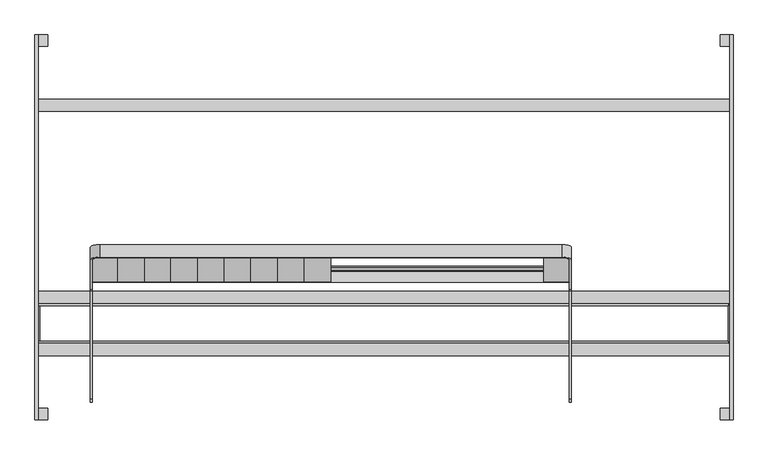
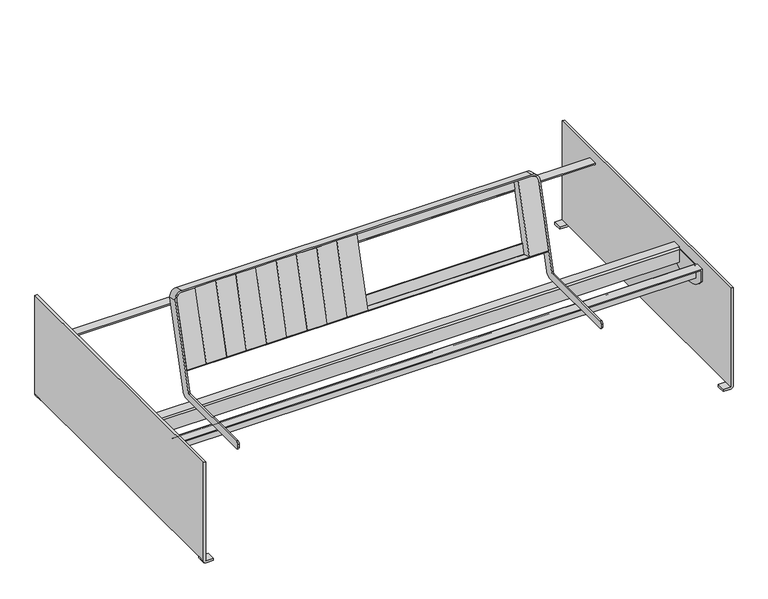
"""IFC4 building model written with IfcOpenShell, lengths in millimetres: furniture geometry."""

from ifc_helpers import new_model, si_unit, point, frame, frame_2d, origin, place, context, project, spatial, polyline, circle_curve, trimmed, segment, composite_curve, outline, extrude, source, transform, mapped, element, save
from ifc_brep_helpers import plane_surface, cylinder_surface, revolved_surface, advanced_brep


def furniture_cc5ad17d(model_context):
    return source(origin(), model_context, "Body", "SolidModel", [
        extrude(outline(polyline([(0.0, -83.1700951), (0.0, 0.0), (39.1205751, 0.0), (39.1205751, -83.1700951), (0.0, -83.1700951)])), frame((-249.1701828, -171.2474704, 518.4817281), z_axis=(0.0, 0.25881904510252113, 0.9659258262890683), x_axis=(0.0, 0.9659258262890683, -0.25881904510252113)), (0.0, 0.0, 1.0), 296.0),
        extrude(outline(polyline([(0.0, -82.4183987), (0.0, 0.0), (39.1205751, 0.0), (39.1205751, -82.4183987), (0.0, -82.4183987)])), frame((-331.5885815, -171.2474704, 518.4817281), z_axis=(0.0, 0.25881904510252124, 0.9659258262890682), x_axis=(0.0, 0.9659258262890682, -0.25881904510252124)), (0.0, 0.0, 1.0), 296.0),
        extrude(outline(polyline([(0.0, -83.4381797), (0.0, 0.0), (39.1205751, 0.0), (39.1205751, -83.4381797), (0.0, -83.4381797)])), frame((-415.0267612, -171.2474704, 518.4817281), z_axis=(0.0, 0.25881904510252113, 0.9659258262890683), x_axis=(0.0, 0.9659258262890683, -0.25881904510252113)), (0.0, 0.0, 1.0), 296.0),
        extrude(outline(polyline([(0.0, -82.7835857), (0.0, 0.0), (39.1205751, 0.0), (39.1205751, -82.7835857), (0.0, -82.7835857)])), frame((-497.8103469, -171.2474704, 518.4817281), z_axis=(0.0, 0.25881904510252124, 0.9659258262890682), x_axis=(0.0, 0.9659258262890682, -0.25881904510252124)), (0.0, 0.0, 1.0), 296.0),
        extrude(outline(polyline([(0.0, -83.394898), (0.0, 0.0), (39.1205751, 0.0), (39.1205751, -83.394898), (0.0, -83.394898)])), frame((-581.2052449, -171.2474704, 518.4817281), z_axis=(0.0, 0.258819045102521, 0.9659258262890683), x_axis=(0.0, 0.9659258262890683, -0.258819045102521)), (0.0, 0.0, 1.0), 296.0),
        extrude(outline(polyline([(0.0, -83.5799721), (0.0, 0.0), (39.1205751, 0.0), (39.1205751, -83.5799721), (0.0, -83.5799721)])), frame((-664.785217, -171.2474704, 518.4817281), z_axis=(0.0, 0.258819045102521, 0.9659258262890683), x_axis=(0.0, 0.9659258262890683, -0.258819045102521)), (0.0, 0.0, 1.0), 296.0),
        extrude(outline(polyline([(0.0, -81.4200279), (0.0, 0.0), (39.1205751, 0.0), (39.1205751, -81.4200279), (0.0, -81.4200279)])), frame((-746.2052449, -171.2474704, 518.4817281), z_axis=(0.0, 0.2588190451025194, 0.9659258262890688), x_axis=(0.0, 0.9659258262890688, -0.2588190451025194)), (0.0, 0.0, 1.0), 296.0),
        extrude(outline(polyline([(0.0, -83.5799721), (0.0, 0.0), (39.1205751, 0.0), (39.1205751, -83.5799721), (0.0, -83.5799721)])), frame((-829.785217, -171.2474704, 518.4817281), z_axis=(0.0, 0.2588190451025194, 0.9659258262890688), x_axis=(0.0, 0.9659258262890688, -0.2588190451025194)), (0.0, 0.0, 1.0), 296.0),
        extrude(outline(composite_curve([segment(polyline([(0.9998586, 0.0), (0.9998586, -20.0)]), True, "CONTINUOUS"), segment(trimmed(circle_curve(frame_2d((-24.0001414, -20.0)), 25.0), [point((0.9998586, -20.0))], [point((-24.0001414, -45.0))], False, "CARTESIAN"), True, "CONTINUOUS"), segment(polyline([(-24.0001414, -45.0), (-1462.0, -45.0)]), True, "CONTINUOUS"), segment(trimmed(circle_curve(frame_2d((-1462.0, -20.0)), 25.0), [point((-1462.0, -45.0))], [point((-1487.0, -20.0))], False, "CARTESIAN"), True, "CONTINUOUS"), segment(polyline([(-1487.0, -20.0), (-1487.0, 0.0), (0.9998586, 0.0)]), True, "CONTINUOUS")], self_intersect=False)), frame((-909.0001584, -67.646857, 750.5763487), z_axis=(0.0, -0.9659258262890719, 0.25881904510250753), x_axis=(-1.0, 0.0, 0.0)), (0.0, 0.0, 1.0), 3.0),
        advanced_brep(
        [(-910.000017, -192.9882702, 437.3439587), (-910.000017, -197.8178993, 433.6380539), (-910.000017, -535.5529143, 433.6380539), (-910.000017, -545.5529143, 423.6380539), (-910.000017, -545.5529143, 411.6380539), (-910.000017, -535.5529143, 401.6380539), (-910.000017, -180.327766, 401.6380539), (-910.000017, -156.1796204, 420.1675778), (-910.000017, -62.4704761, 769.8948652), (-910.000017, -101.1075092, 780.247627), (-916.000017, -156.1796204, 420.1675778), (-916.000017, -180.327766, 401.6380539), (-916.000017, -535.5529143, 401.6380539), (-916.000017, -545.5529143, 411.6380539), (-916.000017, -545.5529143, 423.6380539), (-916.000017, -535.5529143, 433.6380539), (-916.000017, -197.8178993, 433.6380539), (-916.000017, -192.9882702, 437.3439587), (-916.000017, -100.8486901, 781.2135528), (-916.000017, -62.2116571, 770.860791), (-885.000017, -94.6370331, 804.3957727), (552.9998416, -94.6370331, 804.3957727), (577.9998416, -101.1075092, 780.247627), (577.9998416, -192.9882702, 437.3439587), (583.9998416, -192.9882702, 437.3439587), (583.9998416, -100.8486901, 781.2135528), (553.9998416, -93.0841188, 810.1913276), (-886.000017, -93.0841188, 810.1913276), (-886.000017, -54.4470857, 799.8385658), (553.9998416, -54.4470857, 799.8385658), (583.9998416, -62.2116571, 770.860791), (583.9998416, -156.1796204, 420.1675778), (577.9998416, -156.1796204, 420.1675778), (577.9998416, -62.4704761, 769.8948652), (552.9998416, -56.0, 794.0430109), (-885.000017, -56.0, 794.0430109), (577.9998416, -180.327766, 401.6380539), (577.9998416, -535.5529143, 401.6380539), (577.9998416, -545.5529143, 411.6380539), (577.9998416, -545.5529143, 423.6380539), (577.9998416, -535.5529143, 433.6380539), (577.9998416, -197.8178993, 433.6380539), (583.9998416, -197.8178993, 433.6380539), (583.9998416, -535.5529143, 433.6380539), (583.9998416, -545.5529143, 423.6380539), (583.9998416, -545.5529143, 411.6380539), (583.9998416, -535.5529143, 401.6380539), (583.9998416, -180.327766, 401.6380539)],
        [
            (0, 1, circle_curve(frame((-910.000017, -197.8178993, 438.6380539), z_axis=(-1.0, 0.0, 0.0), x_axis=(0.0, 0.0, -1.0)), 5.0)),
            (1, 2),
            (2, 3, circle_curve(frame((-910.000017, -535.5529143, 423.6380539), z_axis=(1.0, 0.0, 0.0), x_axis=(0.0, -1.0, 0.0)), 10.0)),
            (3, 4),
            (4, 5, circle_curve(frame((-910.000017, -535.5529143, 411.6380539), z_axis=(1.0, 0.0, 0.0), x_axis=(0.0, -1.0, 0.0)), 10.0)),
            (5, 6),
            (6, 7, circle_curve(frame((-910.000017, -180.327766, 426.6380539), z_axis=(1.0, 0.0, 0.0), x_axis=(0.0, 0.0, -1.0)), 25.0)),
            (7, 8),
            (8, 9),
            (9, 0),
            (10, 11, circle_curve(frame((-916.000017, -180.327766, 426.6380539), z_axis=(-1.0, 0.0, 0.0), x_axis=(0.0, 0.0, -1.0)), 25.0)),
            (11, 12),
            (12, 13, circle_curve(frame((-916.000017, -535.5529143, 411.6380539), z_axis=(-1.0, 0.0, 0.0), x_axis=(0.0, -1.0, 0.0)), 10.0)),
            (13, 14),
            (14, 15, circle_curve(frame((-916.000017, -535.5529143, 423.6380539), z_axis=(-1.0, 0.0, 0.0), x_axis=(0.0, -1.0, 0.0)), 10.0)),
            (15, 16),
            (16, 17, circle_curve(frame((-916.000017, -197.8178993, 438.6380539), z_axis=(1.0, 0.0, 0.0), x_axis=(0.0, 0.0, -1.0)), 5.0)),
            (17, 18),
            (18, 19),
            (19, 10),
            (17, 0),
            (9, 20, circle_curve(frame((-885.000017, -101.1075092, 780.247627), z_axis=(0.0, 0.9659258262890719, -0.25881904510250753), x_axis=(0.0, -0.25881904510250753, -0.9659258262890719)), 25.0)),
            (20, 21),
            (21, 22, circle_curve(frame((552.9998416, -101.1075092, 780.247627), z_axis=(0.0, 0.9659258262890719, -0.25881904510250753), x_axis=(0.0, -0.25881904510250753, -0.9659258262890719)), 25.0)),
            (22, 23),
            (23, 24),
            (24, 25),
            (25, 26, circle_curve(frame((553.9998416, -100.8486901, 781.2135528), z_axis=(0.0, -0.9659258262890719, 0.25881904510250753), x_axis=(0.0, -0.25881904510250753, -0.9659258262890719)), 30.0)),
            (26, 27),
            (27, 18, circle_curve(frame((-886.000017, -100.8486901, 781.2135528), z_axis=(0.0, -0.9659258262890719, 0.25881904510250753), x_axis=(0.0, -0.25881904510250753, -0.9659258262890719)), 30.0)),
            (16, 1),
            (6, 11),
            (10, 7),
            (19, 28, circle_curve(frame((-886.000017, -62.2116571, 770.860791), z_axis=(0.0, 0.9659258262890719, -0.25881904510250753), x_axis=(0.0, -0.25881904510250753, -0.9659258262890719)), 30.0)),
            (28, 29),
            (29, 30, circle_curve(frame((553.9998416, -62.2116571, 770.860791), z_axis=(0.0, 0.9659258262890719, -0.25881904510250753), x_axis=(0.0, -0.25881904510250753, -0.9659258262890719)), 30.0)),
            (30, 31),
            (31, 32),
            (32, 33),
            (33, 34, circle_curve(frame((552.9998416, -62.4704761, 769.8948652), z_axis=(0.0, -0.9659258262890719, 0.25881904510250753), x_axis=(0.0, -0.25881904510250753, -0.9659258262890719)), 25.0)),
            (34, 35),
            (35, 8, circle_curve(frame((-885.000017, -62.4704761, 769.8948652), z_axis=(0.0, -0.9659258262890719, 0.25881904510250753), x_axis=(0.0, -0.25881904510250753, -0.9659258262890719)), 25.0)),
            (15, 2),
            (14, 3),
            (13, 4),
            (12, 5),
            (27, 28),
            (26, 29),
            (20, 35),
            (34, 21),
            (25, 30),
            (33, 22),
            (32, 36, circle_curve(frame((577.9998416, -180.327766, 426.6380539), z_axis=(-1.0, 0.0, 0.0), x_axis=(0.0, 0.0, -1.0)), 25.0)),
            (36, 37),
            (37, 38, circle_curve(frame((577.9998416, -535.5529143, 411.6380539), z_axis=(-1.0, 0.0, 0.0), x_axis=(0.0, -1.0, 0.0)), 10.0)),
            (38, 39),
            (39, 40, circle_curve(frame((577.9998416, -535.5529143, 423.6380539), z_axis=(-1.0, 0.0, 0.0), x_axis=(0.0, -1.0, 0.0)), 10.0)),
            (40, 41),
            (41, 23, circle_curve(frame((577.9998416, -197.8178993, 438.6380539), z_axis=(1.0, 0.0, 0.0), x_axis=(0.0, 0.0, -1.0)), 5.0)),
            (24, 42, circle_curve(frame((583.9998416, -197.8178993, 438.6380539), z_axis=(-1.0, 0.0, 0.0), x_axis=(0.0, 0.0, -1.0)), 5.0)),
            (42, 43),
            (43, 44, circle_curve(frame((583.9998416, -535.5529143, 423.6380539), z_axis=(1.0, 0.0, 0.0), x_axis=(0.0, -1.0, 0.0)), 10.0)),
            (44, 45),
            (45, 46, circle_curve(frame((583.9998416, -535.5529143, 411.6380539), z_axis=(1.0, 0.0, 0.0), x_axis=(0.0, -1.0, 0.0)), 10.0)),
            (46, 47),
            (47, 31, circle_curve(frame((583.9998416, -180.327766, 426.6380539), z_axis=(1.0, 0.0, 0.0), x_axis=(0.0, 0.0, -1.0)), 25.0)),
            (41, 42),
            (47, 36),
            (40, 43),
            (39, 44),
            (38, 45),
            (37, 46),
        ],
        [
            plane_surface(frame((-910.000017, -113.2720043, 734.8491132), z_axis=(1.0, 0.0, 0.0), x_axis=(0.0, -0.2588190451024944, -0.9659258262890754))),
            plane_surface(frame((-916.000017, -113.2720043, 734.8491132), z_axis=(-1.0, 0.0, 0.0), x_axis=(0.0, 0.2588190451024944, 0.9659258262890754))),
            plane_surface(frame((-910.000017, -113.2720043, 734.8491132), z_axis=(0.0, -0.9659258262890754, 0.2588190451024944), x_axis=(-1.0, 0.0, 0.0))),
            revolved_surface(polyline([(-916.000017, -197.8178993, 433.6380539), (-910.000017, -197.8178993, 433.6380539)]), (-916.000017, -197.8178993, 438.6380539), (-1.0, 0.0, 0.0)),
            cylinder_surface(frame((-916.000017, -180.327766, 426.6380539), z_axis=(1.0, 0.0, 0.0), x_axis=(0.0, 0.0, -1.0)), 25.0),
            plane_surface(frame((-910.000017, -156.1796204, 420.1675778), z_axis=(0.0, 0.9659258262890719, -0.2588190451025076), x_axis=(-1.0, 0.0, 0.0))),
            plane_surface(frame((-910.000017, -197.8178993, 433.6380539), z_axis=(0.0, 0.0, 1.0), x_axis=(-1.0, 0.0, 0.0))),
            cylinder_surface(frame((-916.000017, -535.5529143, 423.6380539), z_axis=(1.0, 0.0, 0.0), x_axis=(0.0, -1.0, 0.0)), 10.0),
            plane_surface(frame((-910.000017, -545.5529143, 423.6380539), z_axis=(0.0, -1.0, 0.0), x_axis=(-1.0, 0.0, 0.0))),
            cylinder_surface(frame((-916.000017, -535.5529143, 411.6380539), z_axis=(1.0, 0.0, 0.0), x_axis=(0.0, -1.0, 0.0)), 10.0),
            plane_surface(frame((-910.000017, -535.5529143, 401.6380539), z_axis=(0.0, 0.0, -1.0), x_axis=(-1.0, 0.0, 0.0))),
            cylinder_surface(frame((-886.000017, -100.8486901, 781.2135528), z_axis=(0.0, 0.9659258262890719, -0.25881904510250753), x_axis=(0.0, -0.25881904510250753, -0.9659258262890719)), 30.0),
            plane_surface(frame((-886.000017, -54.4470857, 799.8385658), z_axis=(0.0, 0.2588190451025075, 0.9659258262890719), x_axis=(0.0, -0.9659258262890719, 0.2588190451025075))),
            plane_surface(frame((-166.0000877, -56.0, 794.0430109), z_axis=(0.0, -0.25881904510250753, -0.9659258262890719), x_axis=(0.0, -0.9659258262890719, 0.25881904510250753))),
            revolved_surface(polyline([(-885.000017, -107.57798536397232, 756.0994813525291), (-885.000017, -68.94095223183245, 745.7467195268383)]), (-885.000017, -101.1075092, 780.247627), (0.0, -0.9659258262890719, 0.25881904510250753)),
            cylinder_surface(frame((553.9998416, -100.8486901, 781.2135528), z_axis=(0.0, 0.9659258262890719, -0.25881904510250753), x_axis=(0.0, -0.25881904510250753, -0.9659258262890719)), 30.0),
            revolved_surface(polyline([(552.9998416, -107.57798536397232, 756.0994813525291), (552.9998416, -68.94095223183245, 745.7467195268383)]), (552.9998416, -101.1075092, 780.247627), (0.0, -0.9659258262890719, 0.25881904510250753)),
            plane_surface(frame((577.9998416, -74.6349712, 724.4963514), z_axis=(-1.0, 0.0, 0.0), x_axis=(0.0, -0.9659258262890719, 0.2588190451025076))),
            plane_surface(frame((583.9998416, -62.2116571, 770.860791), z_axis=(1.0, 0.0, 0.0), x_axis=(0.0, -0.9659258262890719, 0.2588190451025075))),
            revolved_surface(polyline([(583.9998416, -197.8178993, 433.6380539), (577.9998416, -197.8178993, 433.6380539)]), (583.9998416, -197.8178993, 438.6380539), (1.0, 0.0, 0.0)),
            cylinder_surface(frame((583.9998416, -180.327766, 426.6380539), z_axis=(-1.0, 0.0, 0.0), x_axis=(0.0, 0.0, -1.0)), 25.0),
            plane_surface(frame((577.9998416, -535.5529143, 433.6380539), z_axis=(0.0, 0.0, 1.0), x_axis=(1.0, 0.0, 0.0))),
            cylinder_surface(frame((583.9998416, -535.5529143, 423.6380539), z_axis=(-1.0, 0.0, 0.0), x_axis=(0.0, -1.0, 0.0)), 10.0),
            plane_surface(frame((577.9998416, -545.5529143, 411.6380539), z_axis=(0.0, -1.0, 0.0), x_axis=(1.0, 0.0, 0.0))),
            cylinder_surface(frame((583.9998416, -535.5529143, 411.6380539), z_axis=(-1.0, 0.0, 0.0), x_axis=(0.0, -1.0, 0.0)), 10.0),
            plane_surface(frame((577.9998416, -180.327766, 401.6380539), z_axis=(0.0, 0.0, -1.0), x_axis=(1.0, 0.0, 0.0))),
        ],
        [
            (0, [[1, 2, 3, 4, 5, 6, 7, 8, 9, 10]]),
            (1, [[11, 12, 13, 14, 15, 16, 17, 18, 19, 20]]),
            (2, [[21, -10, 22, 23, 24, 25, 26, 27, 28, 29, 30, -18]]),
            (3, [[-1, -21, -17, 31]]),
            (4, [[-7, 32, -11, 33]]),
            (5, [[-33, -20, 34, 35, 36, 37, 38, 39, 40, 41, 42, -8]]),
            (6, [[-2, -31, -16, 43]]),
            (7, [[-3, -43, -15, 44]]),
            (8, [[-4, -44, -14, 45]]),
            (9, [[-5, -45, -13, 46]]),
            (10, [[-6, -46, -12, -32]]),
            (11, [[-34, -19, -30, 47]]),
            (12, [[-47, -29, 48, -35]]),
            (13, [[49, -41, 50, -23]]),
            (14, [[-42, -49, -22, -9]]),
            (15, [[-36, -48, -28, 51]]),
            (16, [[-40, 52, -24, -50]]),
            (17, [[-39, 53, 54, 55, 56, 57, 58, 59, -25, -52]]),
            (18, [[-37, -51, -27, 60, 61, 62, 63, 64, 65, 66]]),
            (19, [[-59, 67, -60, -26]]),
            (20, [[-53, -38, -66, 68]]),
            (21, [[-58, 69, -61, -67]]),
            (22, [[-57, 70, -62, -69]]),
            (23, [[-56, 71, -63, -70]]),
            (24, [[-55, 72, -64, -71]]),
            (25, [[-54, -68, -65, -72]]),
        ],
    ),
        extrude(outline(polyline([(395.6382749, 1073.85), (393.1147491, 1073.85), (393.1147491, 1078.85), (400.6382749, 1078.85), (400.6382749, -1078.85), (393.1147491, -1078.85), (393.1147491, -1073.85), (395.6382749, -1073.85), (395.6382749, 1073.85)])), frame((0.0, 362.5, 0.0), z_axis=(0.0, 1.0, 0.0), x_axis=(0.0, 0.0, 1.0)), (0.0, 0.0, 1.0), 37.5),
        advanced_brep(
        [(1088.85, 600.0, 10.0), (1077.85, 600.0, 0.0), (1048.0911501, 600.0, 0.0), (1048.0911501, 600.0, 10.0), (1078.85, 600.0, 10.0), (1078.85, 600.0, 439.7588499), (1088.85, 600.0, 439.7588499), (1078.85, 565.0, 10.0), (1048.0911501, 565.0, 10.0), (1048.0911501, 565.0, 0.0), (1077.85, 565.0, 0.0), (1088.85, 565.0, 10.0), (1078.85, -600.0, 10.0), (1078.85, -600.0, 439.7588499), (1078.85, -565.0, 10.0), (1088.85, -600.0, 439.7588499), (1088.85, -600.0, 10.0), (1088.85, -565.0, 10.0), (1048.0911501, -600.0, 10.0), (1048.0911501, -600.0, 0.0), (1077.85, -600.0, 0.0), (1077.85, -565.0, 0.0), (1048.0911501, -565.0, 0.0), (1048.0911501, -565.0, 10.0)],
        [
            (0, 1, circle_curve(frame((1078.8045455, 600.0, 10.0), z_axis=(0.0, 1.0, 0.0), x_axis=(1.0, 0.0, 0.0)), 10.0454545)),
            (1, 2),
            (2, 3),
            (3, 4),
            (4, 5),
            (5, 6),
            (6, 0),
            (7, 8),
            (8, 9),
            (9, 10),
            (10, 11, circle_curve(frame((1078.8045455, 565.0, 10.0), z_axis=(0.0, -1.0, 0.0), x_axis=(1.0, 0.0, 0.0)), 10.0454545)),
            (11, 7),
            (3, 8),
            (7, 4),
            (2, 9),
            (1, 10),
            (0, 11),
            (12, 13),
            (13, 5),
            (7, 14),
            (14, 12),
            (6, 15),
            (15, 16),
            (16, 17),
            (17, 11),
            (13, 15),
            (12, 18),
            (18, 19),
            (19, 20),
            (20, 16, circle_curve(frame((1078.8045455, -600.0, 10.0), z_axis=(0.0, -1.0, 0.0), x_axis=(1.0, 0.0, 0.0)), 10.0454545)),
            (17, 14),
            (17, 21, circle_curve(frame((1078.8045455, -565.0, 10.0), z_axis=(0.0, 1.0, 0.0), x_axis=(1.0, 0.0, 0.0)), 10.0454545)),
            (21, 22),
            (22, 23),
            (23, 14),
            (23, 18),
            (22, 19),
            (21, 20),
        ],
        [
            plane_surface(frame((1078.85, 600.0, 10.0), z_axis=(0.0, 1.0, 0.0), x_axis=(1.0, 0.0, 0.0))),
            plane_surface(frame((1078.85, 565.0, 10.0), z_axis=(0.0, -1.0, 0.0), x_axis=(-1.0, 0.0, 0.0))),
            plane_surface(frame((1048.0911501, 600.0, 10.0), z_axis=(0.0, 0.0, 1.0), x_axis=(0.0, -1.0, 0.0))),
            plane_surface(frame((1048.0911501, 600.0, 0.0), z_axis=(-1.0, 0.0, 0.0), x_axis=(0.0, -1.0, 0.0))),
            plane_surface(frame((1077.85, 600.0, 0.0), z_axis=(0.0, 0.0, -1.0), x_axis=(0.0, -1.0, 0.0))),
            cylinder_surface(frame((1078.8045455, 565.0, 10.0), z_axis=(0.0, 1.0, 0.0), x_axis=(1.0, 0.0, 0.0)), 10.0454545),
            plane_surface(frame((1078.85, 200.0, 10.0), z_axis=(-1.0, 0.0, 0.0), x_axis=(0.0, -1.0, 0.0))),
            plane_surface(frame((1088.85, 200.0, 10.0), z_axis=(1.0, 0.0, 0.0), x_axis=(0.0, 1.0, 0.0))),
            plane_surface(frame((1078.85, -600.0, 439.7588499), z_axis=(0.0, 0.0, 1.0), x_axis=(1.0, 0.0, 0.0))),
            plane_surface(frame((1078.85, -600.0, 10.0), z_axis=(0.0, -1.0, 0.0), x_axis=(1.0, 0.0, 0.0))),
            plane_surface(frame((1078.85, 600.0, 10.0), z_axis=(0.0, 0.0, -1.0), x_axis=(1.0, 0.0, 0.0))),
            plane_surface(frame((1048.0911501, -565.0, 10.0), z_axis=(0.0, 1.0, 0.0), x_axis=(1.0, 0.0, 0.0))),
            plane_surface(frame((1078.85, -600.0, 10.0), z_axis=(0.0, 0.0, 1.0), x_axis=(0.0, 1.0, 0.0))),
            plane_surface(frame((1048.0911501, -600.0, 10.0), z_axis=(-1.0, 0.0, 0.0), x_axis=(0.0, 1.0, 0.0))),
            plane_surface(frame((1048.0911501, -600.0, 0.0), z_axis=(0.0, 0.0, -1.0), x_axis=(0.0, 1.0, 0.0))),
            cylinder_surface(frame((1078.8045455, -565.0, 10.0), z_axis=(0.0, -1.0, 0.0), x_axis=(1.0, 0.0, 0.0)), 10.0454545),
        ],
        [
            (0, [[1, 2, 3, 4, 5, 6, 7]]),
            (1, [[8, 9, 10, 11, 12]]),
            (2, [[-4, 13, -8, 14]]),
            (3, [[-3, 15, -9, -13]]),
            (4, [[-2, 16, -10, -15]]),
            (5, [[-1, 17, -11, -16]]),
            (6, [[18, 19, -5, -14, 20, 21]]),
            (7, [[-7, 22, 23, 24, 25, -17]]),
            (8, [[-19, 26, -22, -6]]),
            (9, [[-18, 27, 28, 29, 30, -23, -26]]),
            (10, [[-12, -25, 31, -20]]),
            (11, [[32, 33, 34, 35, -31]]),
            (12, [[-27, -21, -35, 36]]),
            (13, [[-28, -36, -34, 37]]),
            (14, [[-29, -37, -33, 38]]),
            (15, [[-30, -38, -32, -24]]),
        ],
    ),
        extrude(outline(composite_curve([segment(polyline([(-25.0, -24.9999999), (-25.0, 246.0), (55.2148, 246.0), (55.2148, -50.0), (0.0, -50.0)]), True, "CONTINUOUS"), segment(trimmed(circle_curve(frame_2d((0.0, -24.9999999)), 25.0), [point((0.0, -50.0))], [point((-25.0, -24.9999999))], False, "CARTESIAN"), True, "CONTINUOUS")], self_intersect=False)), frame((552.9998416, -69.7904115, 745.9743315), z_axis=(0.0, -0.9659258262890683, 0.2588190451025209), x_axis=(-1.0, 0.0, 0.0)), (0.0, 0.0, 1.0), 39.120575),
        extrude(outline(composite_curve([segment(trimmed(circle_curve(frame_2d((0.0, -25.0)), 25.0), [point((0.0, 0.0))], [point((25.0, -25.0))], False, "CARTESIAN"), True, "CONTINUOUS"), segment(polyline([(25.0, -25.0), (25.0, -80.2148), (-271.0, -80.2148), (-271.0, 0.0), (0.0, 0.0)]), True, "CONTINUOUS")], self_intersect=False)), frame((-910.000017, -63.3199354, 770.1224771), z_axis=(0.0, -0.9659258262890683, 0.2588190451025209), x_axis=(0.0, 0.2588190451025209, 0.9659258262890683)), (0.0, 0.0, 1.0), 39.120575),
        extrude(outline(composite_curve([segment(polyline([(-137.2047245, 506.2541733), (-172.0239275, 515.5839506), (-171.2474704, 518.4817281), (-136.4472255, 509.1570306)]), True, "CONTINUOUS"), segment(trimmed(circle_curve(frame_2d((-136.1956183, 510.0960412)), 0.9721354), [point((-136.4472255, 509.1570306))], [point((-135.2566077, 509.8444341))], True, "CARTESIAN"), True, "CONTINUOUS"), segment(polyline([(-135.2566077, 509.8444341), (-124.6378149, 549.4743081), (-121.7400375, 548.697851), (-132.36391, 509.0490188)]), True, "CONTINUOUS"), segment(trimmed(circle_curve(frame_2d((-136.1817401, 510.0720033)), 3.9525085), [point((-132.36391, 509.0490188))], [point((-137.2047245, 506.2541733))], False, "CARTESIAN"), True, "CONTINUOUS")], self_intersect=False)), frame((-910.000017, 0.0, 0.0), z_axis=(1.0, 0.0, 0.0), x_axis=(0.0, 1.0, 0.0)), (0.0, 0.0, 1.0), 1488.0),
        advanced_brep(
        [(-1078.85, 600.0, 10.0), (-1048.0911501, 600.0, 10.0), (-1048.0911501, 600.0, 0.0), (-1077.85, 600.0, 0.0), (-1088.85, 600.0, 10.0), (-1088.85, 600.0, 439.7588499), (-1078.85, 600.0, 439.7588499), (-1088.85, 565.0, 10.0), (-1077.85, 565.0, 0.0), (-1048.0911501, 565.0, 0.0), (-1048.0911501, 565.0, 10.0), (-1078.85, 565.0, 10.0), (-1078.85, -600.0, 439.7588499), (-1078.85, -600.0, 10.0), (-1078.85, -565.0, 10.0), (-1088.85, -600.0, 10.0), (-1088.85, -600.0, 439.7588499), (-1088.85, -565.0, 10.0), (-1077.85, -600.0, 0.0), (-1048.0911501, -600.0, 0.0), (-1048.0911501, -600.0, 10.0), (-1048.0911501, -565.0, 10.0), (-1048.0911501, -565.0, 0.0), (-1077.85, -565.0, 0.0)],
        [
            (0, 1),
            (1, 2),
            (2, 3),
            (3, 4, circle_curve(frame((-1078.8045455, 600.0, 10.0), z_axis=(0.0, 1.0, 0.0), x_axis=(-1.0, 0.0, 0.0)), 10.0454545)),
            (4, 5),
            (5, 6),
            (6, 0),
            (7, 8, circle_curve(frame((-1078.8045455, 565.0, 10.0), z_axis=(0.0, -1.0, 0.0), x_axis=(-1.0, 0.0, 0.0)), 10.0454545)),
            (8, 9),
            (9, 10),
            (10, 11),
            (11, 7),
            (0, 11),
            (10, 1),
            (9, 2),
            (8, 3),
            (7, 4),
            (6, 12),
            (12, 13),
            (13, 14),
            (14, 11),
            (15, 16),
            (16, 5),
            (7, 17),
            (17, 15),
            (16, 12),
            (15, 18, circle_curve(frame((-1078.8045455, -600.0, 10.0), z_axis=(0.0, -1.0, 0.0), x_axis=(-1.0, 0.0, 0.0)), 10.0454545)),
            (18, 19),
            (19, 20),
            (20, 13),
            (14, 17),
            (14, 21),
            (21, 22),
            (22, 23),
            (23, 17, circle_curve(frame((-1078.8045455, -565.0, 10.0), z_axis=(0.0, 1.0, 0.0), x_axis=(-1.0, 0.0, 0.0)), 10.0454545)),
            (20, 21),
            (19, 22),
            (18, 23),
        ],
        [
            plane_surface(frame((-1048.0911501, 600.0, 10.0), z_axis=(0.0, 1.0, 0.0), x_axis=(1.0, 0.0, 0.0))),
            plane_surface(frame((-1048.0911501, 565.0, 10.0), z_axis=(0.0, -1.0, 0.0), x_axis=(-1.0, 0.0, 0.0))),
            plane_surface(frame((-1078.85, 600.0, 10.0), z_axis=(0.0, 0.0, 1.0), x_axis=(0.0, -1.0, 0.0))),
            plane_surface(frame((-1048.0911501, 600.0, 10.0), z_axis=(1.0, 0.0, 0.0), x_axis=(0.0, -1.0, 0.0))),
            plane_surface(frame((-1048.0911501, 600.0, 0.0), z_axis=(0.0, 0.0, -1.0), x_axis=(0.0, -1.0, 0.0))),
            cylinder_surface(frame((-1078.8045455, 565.0, 10.0), z_axis=(0.0, 1.0, 0.0), x_axis=(-1.0, 0.0, 0.0)), 10.0454545),
            plane_surface(frame((-1078.85, 600.0, 11.0), z_axis=(1.0, 0.0, 0.0), x_axis=(0.0, 0.0, 1.0))),
            plane_surface(frame((-1088.85, 600.0, 11.0), z_axis=(-1.0, 0.0, 0.0), x_axis=(0.0, 0.0, -1.0))),
            plane_surface(frame((-1078.85, 600.0, 439.7588499), z_axis=(0.0, 0.0, 1.0), x_axis=(-1.0, 0.0, 0.0))),
            plane_surface(frame((-1078.85, -600.0, 439.7588499), z_axis=(0.0, -1.0, 0.0), x_axis=(-1.0, 0.0, 0.0))),
            plane_surface(frame((-1078.85, -600.0, 10.0), z_axis=(0.0, 0.0, -1.0), x_axis=(-1.0, 0.0, 0.0))),
            plane_surface(frame((-1078.85, -565.0, 10.0), z_axis=(0.0, 1.0, 0.0), x_axis=(1.0, 0.0, 0.0))),
            plane_surface(frame((-1048.0911501, -600.0, 10.0), z_axis=(0.0, 0.0, 1.0), x_axis=(0.0, 1.0, 0.0))),
            plane_surface(frame((-1048.0911501, -600.0, 0.0), z_axis=(1.0, 0.0, 0.0), x_axis=(0.0, 1.0, 0.0))),
            plane_surface(frame((-1077.85, -600.0, 0.0), z_axis=(0.0, 0.0, -1.0), x_axis=(0.0, 1.0, 0.0))),
            cylinder_surface(frame((-1078.8045455, -565.0, 10.0), z_axis=(0.0, -1.0, 0.0), x_axis=(-1.0, 0.0, 0.0)), 10.0454545),
        ],
        [
            (0, [[1, 2, 3, 4, 5, 6, 7]]),
            (1, [[8, 9, 10, 11, 12]]),
            (2, [[-1, 13, -11, 14]]),
            (3, [[-2, -14, -10, 15]]),
            (4, [[-3, -15, -9, 16]]),
            (5, [[-4, -16, -8, 17]]),
            (6, [[-7, 18, 19, 20, 21, -13]]),
            (7, [[22, 23, -5, -17, 24, 25]]),
            (8, [[-18, -6, -23, 26]]),
            (9, [[-19, -26, -22, 27, 28, 29, 30]]),
            (10, [[-12, -21, 31, -24]]),
            (11, [[32, 33, 34, 35, -31]]),
            (12, [[-30, 36, -32, -20]]),
            (13, [[-29, 37, -33, -36]]),
            (14, [[-28, 38, -34, -37]]),
            (15, [[-27, -25, -35, -38]]),
        ],
    ),
        advanced_brep(
        [(1073.85, -239.4872061, 394.6382749), (1073.85, -238.4872061, 395.6382749), (1073.85, -237.5004802, 395.6382749), (1073.85, -237.5004802, 400.6382749), (1073.85, -238.4872061, 400.6382749), (1073.85, -244.4872061, 394.6382749), (1073.85, -244.4872061, 393.1147491), (1073.85, -239.4872061, 393.1147491), (-1078.85, -244.4872061, 394.6382749), (-1078.85, -238.4872061, 400.6382749), (-1078.85, -200.0004802, 400.6382749), (-1078.85, -200.0, 347.7588499), (-1078.85, -400.0, 347.7588499), (-1078.85, -400.0, 400.6382749), (-1078.85, -361.5132741, 400.6382749), (-1078.85, -355.5132741, 394.6382749), (-1078.85, -355.5132741, 393.1147491), (-1078.85, -244.4872061, 393.1147491), (-1078.85, -237.5004802, 395.6382749), (-1078.85, -238.4872061, 395.6382749), (-1078.85, -239.4872061, 394.6382749), (-1078.85, -239.4872061, 393.1147491), (-1078.85, -237.5004802, 393.1147491), (-1078.85, -360.5132741, 394.6382749), (-1078.85, -361.5132741, 395.6382749), (-1078.85, -362.5, 395.6382749), (-1078.85, -362.5, 393.1147491), (-1078.85, -360.5132741, 393.1147491), (1073.85, -244.4872061, 340.151549), (-1073.85, -244.4872061, 340.151549), (-1073.85, -239.4872061, 340.151549), (1073.85, -239.4872061, 340.151549), (-1073.85, -244.4872061, 393.1147491), (1078.85, -237.5004802, 400.6382749), (1078.85, -200.0004802, 400.6382749), (-1073.85, -237.5004802, 395.6382749), (-1073.85, -200.0004802, 395.6382749), (1073.85, -200.0004802, 395.6382749), (-1073.85, -239.4872061, 393.1147491), (1073.85, -400.0, 347.7588499), (1078.85, -400.0, 347.7588499), (1078.85, -400.0, 400.6382749), (-1073.85, -400.0, 347.7588499), (-1073.85, -400.0, 395.6382749), (1073.85, -400.0, 395.6382749), (-1073.85, -362.5, 395.6382749), (-1073.85, -362.5, 393.1147491), (1078.85, -362.5, 400.6382749), (1078.85, -362.5, 393.1147491), (1073.85, -362.5, 393.1147491), (1073.85, -362.5, 395.6382749), (1073.85, -362.5, 400.6382749), (1073.85, -361.5132741, 400.6382749), (1073.85, -361.5132741, 395.6382749), (-1073.85, -200.0, 347.7588499), (-1073.85, -237.5004802, 393.1147491), (-1073.85, -355.5132741, 393.1147491), (-1073.85, -355.5132741, 340.151549), (-1073.85, -360.5132741, 340.151549), (-1073.85, -360.5132741, 393.1147491), (1073.85, -355.5132741, 394.6382749), (1073.85, -360.5132741, 394.6382749), (1073.85, -360.5132741, 393.1147491), (1073.85, -355.5132741, 393.1147491), (1073.85, -360.5132741, 340.151549), (1073.85, -355.5132741, 340.151549), (1078.85, -200.0004802, 347.7588499), (1073.85, -200.0004802, 347.7588499), (1073.85, -237.5004802, 393.1147491), (1078.85, -237.5004802, 393.1147491)],
        [
            (0, 1, circle_curve(frame((1073.85, -238.4872061, 394.6382749), z_axis=(-1.0, 0.0, 0.0), x_axis=(0.0, 1.0, 0.0)), 1.0)),
            (1, 2),
            (2, 3),
            (3, 4),
            (4, 5, circle_curve(frame((1073.85, -238.4872061, 394.6382749), z_axis=(1.0, 0.0, 0.0), x_axis=(0.0, 1.0, 0.0)), 6.0)),
            (5, 6),
            (6, 7),
            (7, 0),
            (8, 9, circle_curve(frame((-1078.85, -238.4872061, 394.6382749), z_axis=(-1.0, 0.0, 0.0), x_axis=(0.0, 1.0, 0.0)), 6.0)),
            (9, 10),
            (10, 11),
            (11, 12, circle_curve(frame((-1078.85, -300.0, 421.080061), z_axis=(-1.0, 0.0, 0.0), x_axis=(0.0, -0.8064516129032312, -0.5913000896717141)), 124.0)),
            (12, 13),
            (13, 14),
            (14, 15, circle_curve(frame((-1078.85, -361.5132741, 394.6382749), z_axis=(-1.0, 0.0, 0.0), x_axis=(0.0, -1.0, 0.0)), 6.0)),
            (15, 16),
            (16, 17),
            (17, 8),
            (18, 19),
            (19, 20, circle_curve(frame((-1078.85, -238.4872061, 394.6382749), z_axis=(1.0, 0.0, 0.0), x_axis=(0.0, 1.0, 0.0)), 1.0)),
            (20, 21),
            (21, 22),
            (22, 18),
            (23, 24, circle_curve(frame((-1078.85, -361.5132741, 394.6382749), z_axis=(1.0, 0.0, 0.0), x_axis=(0.0, -1.0, 0.0)), 1.0)),
            (24, 25),
            (25, 26),
            (26, 27),
            (27, 23),
            (28, 29),
            (29, 30),
            (30, 31),
            (31, 28),
            (5, 8),
            (17, 32),
            (32, 29),
            (28, 6),
            (4, 9),
            (3, 33),
            (33, 34),
            (34, 10),
            (1, 19),
            (18, 35),
            (35, 36),
            (36, 37),
            (37, 2),
            (0, 20),
            (7, 31),
            (30, 38),
            (38, 21),
            (39, 40),
            (40, 41),
            (41, 13),
            (12, 42),
            (42, 43),
            (43, 44),
            (44, 39),
            (45, 46),
            (46, 26),
            (25, 45),
            (47, 48),
            (48, 49),
            (49, 50),
            (50, 51),
            (51, 47),
            (41, 47),
            (51, 52),
            (52, 14),
            (43, 45),
            (24, 53),
            (53, 50),
            (50, 44),
            (42, 54, circle_curve(frame((-1073.85, -300.0, 421.080061), z_axis=(1.0, 0.0, 0.0), x_axis=(0.0, -0.8064516129032312, -0.5913000896717141)), 124.0)),
            (54, 36),
            (35, 55),
            (55, 38),
            (32, 56),
            (56, 57),
            (57, 58),
            (58, 59),
            (59, 46),
            (60, 52, circle_curve(frame((1073.85, -361.5132741, 394.6382749), z_axis=(1.0, 0.0, 0.0), x_axis=(0.0, -1.0, 0.0)), 6.0)),
            (53, 61, circle_curve(frame((1073.85, -361.5132741, 394.6382749), z_axis=(-1.0, 0.0, 0.0), x_axis=(0.0, -1.0, 0.0)), 1.0)),
            (61, 62),
            (62, 63),
            (63, 60),
            (64, 58),
            (57, 65),
            (65, 64),
            (15, 60),
            (63, 65),
            (56, 16),
            (23, 61),
            (27, 59),
            (64, 62),
            (54, 11),
            (34, 66),
            (66, 67),
            (67, 37),
            (22, 55),
            (2, 68),
            (68, 69),
            (69, 33),
            (49, 62),
            (63, 6),
            (7, 68),
            (67, 39, circle_curve(frame((1073.85, -300.0, 421.080061), z_axis=(-1.0, 0.0, 0.0), x_axis=(0.0, -0.8064516129032312, -0.5913000896717141)), 124.0)),
            (40, 66, circle_curve(frame((1078.85, -300.0, 421.080061), z_axis=(1.0, 0.0, 0.0), x_axis=(0.0, -0.8064516129032312, -0.5913000896717141)), 124.0)),
            (69, 48),
        ],
        [
            plane_surface(frame((1073.85, -239.4872061, 394.6382749), z_axis=(1.0, 0.0, 0.0), x_axis=(0.0, 0.0, 1.0))),
            plane_surface(frame((-1078.85, -239.4872061, 394.6382749), z_axis=(-1.0, 0.0, 0.0), x_axis=(0.0, 0.0, -1.0))),
            plane_surface(frame((1073.85, -244.4872061, 340.151549), z_axis=(0.0, 0.0, -1.0), x_axis=(-1.0, 0.0, 0.0))),
            plane_surface(frame((1073.85, -244.4872061, 394.6382749), z_axis=(0.0, -1.0, 0.0), x_axis=(-1.0, 0.0, 0.0))),
            cylinder_surface(frame((-1078.85, -238.4872061, 394.6382749), z_axis=(1.0, 0.0, 0.0), x_axis=(0.0, 1.0, 0.0)), 6.0),
            plane_surface(frame((1073.85, -237.5004802, 400.6382749), z_axis=(0.0, 0.0, 1.0), x_axis=(-1.0, 0.0, 0.0))),
            plane_surface(frame((1073.85, -238.4872061, 395.6382749), z_axis=(0.0, 0.0, -1.0), x_axis=(-1.0, 0.0, 0.0))),
            revolved_surface(polyline([(-1078.85, -237.4872061, 394.6382749), (1073.85, -237.4872061, 394.6382749)]), (-1078.85, -238.4872061, 394.6382749), (-1.0, 0.0, 0.0)),
            plane_surface(frame((1073.85, -239.4872061, 340.151549), z_axis=(0.0, 1.0, 0.0), x_axis=(-1.0, 0.0, 0.0))),
            plane_surface(frame((1073.85, -400.0, 393.1147491), z_axis=(0.0, -1.0, 0.0), x_axis=(0.0, 0.0, -1.0))),
            plane_surface(frame((1073.85, -362.5, 393.1147491), z_axis=(0.0, 1.0, 0.0), x_axis=(0.0, 0.0, 1.0))),
            plane_surface(frame((1078.85, -400.0, 400.6382749), z_axis=(0.0, 0.0, 1.0), x_axis=(0.0, 1.0, 0.0))),
            plane_surface(frame((-1073.85, -400.0, 395.6382749), z_axis=(0.0, 0.0, -1.0), x_axis=(0.0, 1.0, 0.0))),
            plane_surface(frame((-1073.85, -400.0, 393.1147491), z_axis=(1.0, 0.0, 0.0), x_axis=(0.0, 1.0, 0.0))),
            plane_surface(frame((1073.85, -360.5132741, 340.151549), z_axis=(1.0, 0.0, 0.0), x_axis=(0.0, 1.0, 0.0))),
            plane_surface(frame((1073.85, -360.5132741, 340.151549), z_axis=(0.0, 0.0, -1.0), x_axis=(-1.0, 0.0, 0.0))),
            plane_surface(frame((1073.85, -355.5132741, 340.151549), z_axis=(0.0, 1.0, 0.0), x_axis=(-1.0, 0.0, 0.0))),
            cylinder_surface(frame((-1078.85, -361.5132741, 394.6382749), z_axis=(1.0, 0.0, 0.0), x_axis=(0.0, -1.0, 0.0)), 6.0),
            revolved_surface(polyline([(-1078.85, -362.5132741, 394.6382749), (1073.85, -362.5132741, 394.6382749)]), (-1078.85, -361.5132741, 394.6382749), (-1.0, 0.0, 0.0)),
            plane_surface(frame((1073.85, -360.5132741, 394.6382749), z_axis=(0.0, -1.0, 0.0), x_axis=(-1.0, 0.0, 0.0))),
            plane_surface(frame((-825.879425, -200.0004802, 395.6382749), z_axis=(0.0, 1.0, 0.0), x_axis=(-1.0, 0.0, 0.0))),
            plane_surface(frame((-825.879425, -237.5004802, 395.6382749), z_axis=(0.0, -1.0, 0.0), x_axis=(1.0, 0.0, 0.0))),
            plane_surface(frame((-1073.85, -200.0, 393.1147491), z_axis=(0.0, 0.0, 1.0), x_axis=(-1.0, 0.0, 0.0))),
            cylinder_surface(frame((-1078.85, -300.0, 421.080061), z_axis=(1.0000000000000002, 0.0, 0.0), x_axis=(0.0, -0.8064516129032312, -0.5913000896717141)), 124.0),
            plane_surface(frame((1073.85, -400.0, 395.6382749), z_axis=(-1.0, 0.0, 0.0), x_axis=(0.0, 1.0, 0.0))),
            plane_surface(frame((1078.85, -400.0, 393.1147491), z_axis=(1.0, 0.0, 0.0), x_axis=(0.0, 1.0, 0.0))),
            plane_surface(frame((1073.85, -400.0, 393.1147491), z_axis=(0.0, 0.0, 1.0), x_axis=(1.0, 0.0, 0.0))),
            cylinder_surface(frame((1078.85, -300.0, 421.080061), z_axis=(-1.0000000000000002, 0.0, 0.0), x_axis=(0.0, -0.8064516129032312, -0.5913000896717141)), 124.0),
        ],
        [
            (0, [[1, 2, 3, 4, 5, 6, 7, 8]]),
            (1, [[9, 10, 11, 12, 13, 14, 15, 16, 17, 18], [19, 20, 21, 22, 23], [24, 25, 26, 27, 28]]),
            (2, [[29, 30, 31, 32]]),
            (3, [[33, -18, 34, 35, -29, 36, -6]]),
            (4, [[-5, 37, -9, -33]]),
            (5, [[-4, 38, 39, 40, -10, -37]]),
            (6, [[-2, 41, -19, 42, 43, 44, 45]]),
            (7, [[-1, 46, -20, -41]]),
            (8, [[-46, -8, 47, -31, 48, 49, -21]]),
            (9, [[50, 51, 52, -13, 53, 54, 55, 56]]),
            (10, [[57, 58, -26, 59]]),
            (10, [[60, 61, 62, 63, 64]]),
            (11, [[-52, 65, -64, 66, 67, -14]]),
            (12, [[-55, 68, -59, -25, 69, 70, 71]]),
            (13, [[-57, -68, -54, 72, 73, -43, 74, 75, -48, -30, -35, 76, 77, 78, 79, 80]]),
            (14, [[81, -66, -63, -70, 82, 83, 84, 85]]),
            (15, [[86, -78, 87, 88]]),
            (16, [[89, -85, 90, -87, -77, 91, -16]]),
            (17, [[-81, -89, -15, -67]]),
            (18, [[-82, -69, -24, 92]]),
            (19, [[-92, -28, 93, -79, -86, 94, -83]]),
            (20, [[-44, -73, 95, -11, -40, 96, 97, 98]]),
            (21, [[-74, -42, -23, 99]]),
            (21, [[100, 101, 102, -38, -3]]),
            (22, [[-17, -91, -76, -34]]),
            (22, [[-22, -49, -75, -99]]),
            (22, [[-27, -58, -80, -93]]),
            (23, [[-72, -53, -12, -95]]),
            (24, [[-56, -71, -62, 103, -94, -88, -90, 104, -36, -32, -47, 105, -100, -45, -98, 106]]),
            (25, [[-51, 107, -96, -39, -102, 108, -60, -65]]),
            (26, [[-104, -84, -103, -61, -108, -101, -105, -7]]),
            (27, [[-106, -97, -107, -50]]),
        ],
    ),
    ])


if __name__ == "__main__":
    model = new_model("IFC4")
    model_context = context("Model", 3, world=origin())
    ifc_project = project(units=[si_unit("LENGTHUNIT", "METRE", prefix="MILLI")], contexts=[model_context])
    site = spatial("IfcSite", under=ifc_project)
    building = spatial("IfcBuilding", under=site)
    placement = place(None, origin())
    furniture_shape = furniture_cc5ad17d(model_context)
    element("IfcFurniture", 1, at=placement, inside=building, context=model_context, shape_type="MappedRepresentation", body=[
        mapped(furniture_shape, transform((0.0, 0.0, 0.0), x_axis=(1.0, 0.0, 0.0), y_axis=(0.0, 1.0, 0.0), z_axis=(0.0, 0.0, 1.0))),
    ])
    save(model, "model.ifc")
